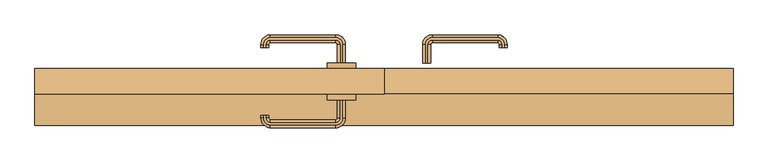
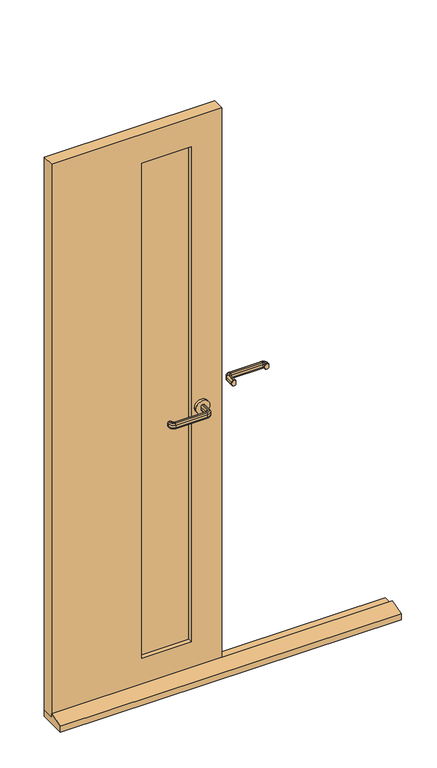
"""IFC4 building model written with IfcOpenShell, lengths in millimetres: door geometry."""

from ifc_helpers import new_model, si_unit, point, frame, frame_2d, origin, place, context, project, spatial, polyline, circle_curve, ellipse_curve, trimmed, segment, composite_curve, outline, extrude, source, transform, mapped, element, save
from ifc_brep_helpers import plane_surface, cylinder_surface, revolved_surface, advanced_brep


def door_26779448(model_context):
    return source(origin(), model_context, "Body", "SolidModel", [
        extrude(outline(polyline([(10.0, -20.0), (10.0, 3.0), (65.0, 18.0), (65.0, 3.0), (110.0, 3.0), (110.0, -20.0), (10.0, -20.0)])), frame((-615.0, 0.0, 0.0), z_axis=(1.0, 0.0, 0.0), x_axis=(0.0, 1.0, 0.0)), (0.0, 0.0, 1.0), 1230.0),
        advanced_brep(
        [(-73.0, 120.0, 1015.0), (-77.0, 120.0, 1015.0), (-82.0, 120.0, 1010.0), (-82.0, 120.0, 1000.0477623), (-77.0, 120.0, 995.0477623), (-73.0, 120.0, 995.0477623), (-68.0, 120.0, 1000.0477623), (-68.0, 120.0, 1010.0), (-68.0, 152.5, 1010.0), (-73.0, 152.5, 1015.0), (-68.0, 152.5, 1000.0477623), (-73.0, 152.5, 995.0477623), (-77.0, 152.5, 995.0477623), (-85.0, 160.5, 995.0477623), (-200.0, 160.5, 995.0477623), (-208.0, 152.5, 995.0477623), (-208.0, 147.5, 995.0477623), (-212.0, 147.5, 995.0477623), (-212.0, 152.5, 995.0477623), (-200.0, 164.5, 995.0477623), (-85.0, 164.5, 995.0477623), (-82.0, 152.5, 1000.0477623), (-82.0, 152.5, 1010.0), (-77.0, 152.5, 1015.0), (-85.0, 164.5, 1015.0), (-200.0, 164.5, 1015.0), (-212.0, 152.5, 1015.0), (-212.0, 147.5, 1015.0), (-208.0, 147.5, 1015.0), (-208.0, 152.5, 1015.0), (-200.0, 160.5, 1015.0), (-85.0, 160.5, 1015.0), (-85.0, 169.5, 1010.0), (-85.0, 169.5, 1000.0477623), (-85.0, 155.5, 1000.0477623), (-85.0, 155.5, 1010.0), (-200.0, 169.5, 1010.0), (-200.0, 169.5, 1000.0477623), (-200.0, 155.5, 1000.0477623), (-200.0, 155.5, 1010.0), (-217.0, 152.5, 1010.0), (-217.0, 152.5, 1000.0477623), (-203.0, 152.5, 1000.0477623), (-203.0, 152.5, 1010.0), (-217.0, 147.5, 1010.0), (-217.0, 147.5, 1000.0477623), (-203.0, 147.5, 1000.0477623), (-203.0, 147.5, 1010.0)],
        [
            (0, 1),
            (1, 2, circle_curve(frame((-77.0, 120.0, 1010.0), z_axis=(0.0, -1.0, 0.0), x_axis=(1.0, 0.0, 0.0)), 5.0)),
            (2, 3),
            (3, 4, circle_curve(frame((-77.0, 120.0, 1000.0477623), z_axis=(0.0, -1.0, 0.0), x_axis=(1.0, 0.0, 0.0)), 5.0)),
            (4, 5),
            (5, 6, circle_curve(frame((-73.0, 120.0, 1000.0477623), z_axis=(0.0, -1.0, 0.0), x_axis=(1.0, 0.0, 0.0)), 5.0)),
            (6, 7),
            (7, 0, circle_curve(frame((-73.0, 120.0, 1010.0), z_axis=(0.0, -1.0, 0.0), x_axis=(1.0, 0.0, 0.0)), 5.0)),
            (7, 8),
            (8, 9, circle_curve(frame((-73.0, 152.5, 1010.0), z_axis=(0.0, -1.0, 0.0), x_axis=(1.0, 0.0, 0.0)), 5.0)),
            (9, 0),
            (6, 10),
            (10, 8),
            (5, 11),
            (11, 10, circle_curve(frame((-73.0, 152.5, 1000.0477623), z_axis=(0.0, -1.0, 0.0), x_axis=(1.0, 0.0, 0.0)), 5.0)),
            (4, 12),
            (12, 13, circle_curve(frame((-85.0, 152.5, 995.0477623), z_axis=(0.0, 0.0, 1.0), x_axis=(1.0, 0.0, 0.0)), 8.0)),
            (13, 14),
            (14, 15, circle_curve(frame((-200.0, 152.5, 995.0477623), z_axis=(0.0, 0.0, 1.0), x_axis=(0.0, 1.0, 0.0)), 8.0)),
            (15, 16),
            (16, 17),
            (17, 18),
            (18, 19, circle_curve(frame((-200.0, 152.5, 995.0477623), z_axis=(0.0, 0.0, -1.0), x_axis=(0.0, 1.0, 0.0)), 12.0)),
            (19, 20),
            (20, 11, circle_curve(frame((-85.0, 152.5, 995.0477623), z_axis=(0.0, 0.0, -1.0), x_axis=(1.0, 0.0, 0.0)), 12.0)),
            (3, 21),
            (21, 12, circle_curve(frame((-77.0, 152.5, 1000.0477623), z_axis=(0.0, -1.0, 0.0), x_axis=(1.0, 0.0, 0.0)), 5.0)),
            (2, 22),
            (22, 21),
            (1, 23),
            (23, 22, circle_curve(frame((-77.0, 152.5, 1010.0), z_axis=(0.0, -1.0, 0.0), x_axis=(1.0, 0.0, 0.0)), 5.0)),
            (9, 24, circle_curve(frame((-85.0, 152.5, 1015.0), z_axis=(0.0, 0.0, 1.0), x_axis=(1.0, 0.0, 0.0)), 12.0)),
            (24, 25),
            (25, 26, circle_curve(frame((-200.0, 152.5, 1015.0), z_axis=(0.0, 0.0, 1.0), x_axis=(0.0, 1.0, 0.0)), 12.0)),
            (26, 27),
            (27, 28),
            (28, 29),
            (29, 30, circle_curve(frame((-200.0, 152.5, 1015.0), z_axis=(0.0, 0.0, -1.0), x_axis=(0.0, 1.0, 0.0)), 8.0)),
            (30, 31),
            (31, 23, circle_curve(frame((-85.0, 152.5, 1015.0), z_axis=(0.0, 0.0, -1.0), x_axis=(1.0, 0.0, 0.0)), 8.0)),
            (32, 24, circle_curve(frame((-85.0, 164.5, 1010.0), z_axis=(1.0, 0.0, 0.0), x_axis=(0.0, 1.0, 0.0)), 5.0)),
            (8, 32, circle_curve(frame((-85.0, 152.5, 1010.0), z_axis=(0.0, 0.0, 1.0), x_axis=(1.0, 0.0, 0.0)), 17.0)),
            (33, 32),
            (10, 33, circle_curve(frame((-85.0, 152.5, 1000.0477623), z_axis=(0.0, 0.0, 1.0), x_axis=(1.0, 0.0, 0.0)), 17.0)),
            (20, 33, circle_curve(frame((-85.0, 164.5, 1000.0477623), z_axis=(1.0, 0.0, 0.0), x_axis=(0.0, 1.0, 0.0)), 5.0)),
            (34, 13, circle_curve(frame((-85.0, 160.5, 1000.0477623), z_axis=(1.0, 0.0, 0.0), x_axis=(0.0, 1.0, 0.0)), 5.0)),
            (21, 34, circle_curve(frame((-85.0, 152.5, 1000.0477623), z_axis=(0.0, 0.0, 1.0), x_axis=(1.0, 0.0, 0.0)), 3.0)),
            (35, 34),
            (22, 35, circle_curve(frame((-85.0, 152.5, 1010.0), z_axis=(0.0, 0.0, 1.0), x_axis=(1.0, 0.0, 0.0)), 3.0)),
            (31, 35, circle_curve(frame((-85.0, 160.5, 1010.0), z_axis=(1.0, 0.0, 0.0), x_axis=(0.0, 1.0, 0.0)), 5.0)),
            (32, 36),
            (36, 25, circle_curve(frame((-200.0, 164.5, 1010.0), z_axis=(1.0, 0.0, 0.0), x_axis=(0.0, 1.0, 0.0)), 5.0)),
            (33, 37),
            (37, 36),
            (19, 37, circle_curve(frame((-200.0, 164.5, 1000.0477623), z_axis=(1.0, 0.0, 0.0), x_axis=(0.0, 1.0, 0.0)), 5.0)),
            (34, 38),
            (38, 14, circle_curve(frame((-200.0, 160.5, 1000.0477623), z_axis=(1.0, 0.0, 0.0), x_axis=(0.0, 1.0, 0.0)), 5.0)),
            (35, 39),
            (39, 38),
            (30, 39, circle_curve(frame((-200.0, 160.5, 1010.0), z_axis=(1.0, 0.0, 0.0), x_axis=(0.0, 1.0, 0.0)), 5.0)),
            (40, 26, circle_curve(frame((-212.0, 152.5, 1010.0), z_axis=(0.0, 1.0, 0.0), x_axis=(-1.0, 0.0, 0.0)), 5.0)),
            (36, 40, circle_curve(frame((-200.0, 152.5, 1010.0), z_axis=(0.0, 0.0, 1.0), x_axis=(0.0, 1.0, 0.0)), 17.0)),
            (41, 40),
            (37, 41, circle_curve(frame((-200.0, 152.5, 1000.0477623), z_axis=(0.0, 0.0, 1.0), x_axis=(0.0, 1.0, 0.0)), 17.0)),
            (18, 41, circle_curve(frame((-212.0, 152.5, 1000.0477623), z_axis=(0.0, 1.0, 0.0), x_axis=(-1.0, 0.0, 0.0)), 5.0)),
            (42, 15, circle_curve(frame((-208.0, 152.5, 1000.0477623), z_axis=(0.0, 1.0, 0.0), x_axis=(-1.0, 0.0, 0.0)), 5.0)),
            (38, 42, circle_curve(frame((-200.0, 152.5, 1000.0477623), z_axis=(0.0, 0.0, 1.0), x_axis=(0.0, 1.0, 0.0)), 3.0)),
            (43, 42),
            (39, 43, circle_curve(frame((-200.0, 152.5, 1010.0), z_axis=(0.0, 0.0, 1.0), x_axis=(0.0, 1.0, 0.0)), 3.0)),
            (29, 43, circle_curve(frame((-208.0, 152.5, 1010.0), z_axis=(0.0, 1.0, 0.0), x_axis=(-1.0, 0.0, 0.0)), 5.0)),
            (27, 44, circle_curve(frame((-212.0, 147.5, 1010.0), z_axis=(0.0, -1.0, 0.0), x_axis=(-1.0, 0.0, 0.0)), 5.0)),
            (44, 45),
            (45, 17, circle_curve(frame((-212.0, 147.5, 1000.0477623), z_axis=(0.0, -1.0, 0.0), x_axis=(-1.0, 0.0, 0.0)), 5.0)),
            (16, 46, circle_curve(frame((-208.0, 147.5, 1000.0477623), z_axis=(0.0, -1.0, 0.0), x_axis=(-1.0, 0.0, 0.0)), 5.0)),
            (46, 47),
            (47, 28, circle_curve(frame((-208.0, 147.5, 1010.0), z_axis=(0.0, -1.0, 0.0), x_axis=(-1.0, 0.0, 0.0)), 5.0)),
            (40, 44),
            (41, 45),
            (42, 46),
            (43, 47),
        ],
        [
            plane_surface(frame((-64.801961, 120.0, 1005.0), z_axis=(0.0, -1.0, 0.0), x_axis=(0.0, 0.0, 1.0))),
            cylinder_surface(frame((-73.0, 120.0, 1010.0), z_axis=(0.0, -1.0, 0.0), x_axis=(1.0, 0.0, 0.0)), 5.0),
            plane_surface(frame((-68.0, 120.0, 1010.0), z_axis=(1.0, 0.0, 0.0), x_axis=(0.0, 1.0, 0.0))),
            cylinder_surface(frame((-73.0, 120.0, 1000.0477623), z_axis=(0.0, -1.0, 0.0), x_axis=(1.0, 0.0, 0.0)), 5.0),
            plane_surface(frame((-73.0, 120.0, 995.0477623), z_axis=(0.0, 0.0, -1.0), x_axis=(0.0, 1.0, 0.0))),
            cylinder_surface(frame((-77.0, 120.0, 1000.0477623), z_axis=(0.0, -1.0, 0.0), x_axis=(1.0, 0.0, 0.0)), 5.0),
            plane_surface(frame((-82.0, 120.0, 1000.0477623), z_axis=(-1.0, 0.0, 0.0), x_axis=(0.0, 1.0, 0.0))),
            cylinder_surface(frame((-77.0, 120.0, 1010.0), z_axis=(0.0, -1.0, 0.0), x_axis=(1.0, 0.0, 0.0)), 5.0),
            plane_surface(frame((-77.0, 120.0, 1015.0), z_axis=(0.0, 0.0, 1.0), x_axis=(0.0, 1.0, 0.0))),
            revolved_surface(trimmed(ellipse_curve(frame((-73.0, 152.5, 1010.0), z_axis=(0.0, 1.0, 0.0), x_axis=(1.0, 0.0, 0.0)), 5.0, 5.0), [point((-73.0, 152.5, 1015.0))], [point((-68.0, 152.5, 1010.0))], True, "CARTESIAN"), (-85.0, 152.5, 1005.0), (0.0, 0.0, -1.0)),
            cylinder_surface(frame((-85.0, 152.5, 1005.0), z_axis=(0.0, 0.0, -1.0), x_axis=(1.0, 0.0, 0.0)), 17.0),
            revolved_surface(trimmed(ellipse_curve(frame((-73.0, 152.5, 1000.0477623), z_axis=(0.0, 1.0, 0.0), x_axis=(1.0, 0.0, 0.0)), 5.0, 5.0), [point((-68.0, 152.5, 1000.0477623))], [point((-73.0, 152.5, 995.0477623))], True, "CARTESIAN"), (-85.0, 152.5, 1005.0), (0.0, 0.0, -1.0)),
            revolved_surface(trimmed(ellipse_curve(frame((-77.0, 152.5, 1000.0477623), z_axis=(0.0, 1.0, 0.0), x_axis=(1.0, 0.0, 0.0)), 5.0, 5.0), [point((-77.0, 152.5, 995.0477623))], [point((-82.0, 152.5, 1000.0477623))], True, "CARTESIAN"), (-85.0, 152.5, 1005.0), (0.0, 0.0, -1.0)),
            revolved_surface(polyline([(-82.0, 152.5, 1000.0477623), (-82.0, 152.5, 1010.0)]), (-85.0, 152.5, 1005.0), (0.0, 0.0, -1.0)),
            revolved_surface(trimmed(ellipse_curve(frame((-77.0, 152.5, 1010.0), z_axis=(0.0, 1.0, 0.0), x_axis=(1.0, 0.0, 0.0)), 5.0, 5.0), [point((-82.0, 152.5, 1010.0))], [point((-77.0, 152.5, 1015.0))], True, "CARTESIAN"), (-85.0, 152.5, 1005.0), (0.0, 0.0, -1.0)),
            cylinder_surface(frame((-85.0, 164.5, 1010.0), z_axis=(1.0, 0.0, 0.0), x_axis=(0.0, 1.0, 0.0)), 5.0),
            plane_surface(frame((-85.0, 169.5, 1010.0), z_axis=(0.0, 1.0, 0.0), x_axis=(-1.0, 0.0, 0.0))),
            cylinder_surface(frame((-85.0, 164.5, 1000.0477623), z_axis=(1.0, 0.0, 0.0), x_axis=(0.0, 1.0, 0.0)), 5.0),
            cylinder_surface(frame((-85.0, 160.5, 1000.0477623), z_axis=(1.0, 0.0, 0.0), x_axis=(0.0, 1.0, 0.0)), 5.0),
            plane_surface(frame((-85.0, 155.5, 1000.0477623), z_axis=(0.0, -1.0, 0.0), x_axis=(-1.0, 0.0, 0.0))),
            cylinder_surface(frame((-85.0, 160.5, 1010.0), z_axis=(1.0, 0.0, 0.0), x_axis=(0.0, 1.0, 0.0)), 5.0),
            revolved_surface(trimmed(ellipse_curve(frame((-200.0, 164.5, 1010.0), z_axis=(-1.0, 0.0, 0.0), x_axis=(0.0, 1.0, 0.0)), 5.0, 5.0), [point((-200.0, 164.5, 1015.0))], [point((-200.0, 169.5, 1010.0))], True, "CARTESIAN"), (-200.0, 152.5, 1005.0), (0.0, 0.0, -1.0)),
            cylinder_surface(frame((-200.0, 152.5, 1005.0), z_axis=(0.0, 0.0, -1.0), x_axis=(0.0, 1.0, 0.0)), 17.0),
            revolved_surface(trimmed(ellipse_curve(frame((-200.0, 164.5, 1000.0477623), z_axis=(-1.0, 0.0, 0.0), x_axis=(0.0, 1.0, 0.0)), 5.0, 5.0), [point((-200.0, 169.5, 1000.0477623))], [point((-200.0, 164.5, 995.0477623))], True, "CARTESIAN"), (-200.0, 152.5, 1005.0), (0.0, 0.0, -1.0)),
            revolved_surface(trimmed(ellipse_curve(frame((-200.0, 160.5, 1000.0477623), z_axis=(-1.0, 0.0, 0.0), x_axis=(0.0, 1.0, 0.0)), 5.0, 5.0), [point((-200.0, 160.5, 995.0477623))], [point((-200.0, 155.5, 1000.0477623))], True, "CARTESIAN"), (-200.0, 152.5, 1005.0), (0.0, 0.0, -1.0)),
            revolved_surface(polyline([(-200.0, 155.5, 1000.0477623), (-200.0, 155.5, 1010.0)]), (-200.0, 152.5, 1005.0), (0.0, 0.0, -1.0)),
            revolved_surface(trimmed(ellipse_curve(frame((-200.0, 160.5, 1010.0), z_axis=(-1.0, 0.0, 0.0), x_axis=(0.0, 1.0, 0.0)), 5.0, 5.0), [point((-200.0, 155.5, 1010.0))], [point((-200.0, 160.5, 1015.0))], True, "CARTESIAN"), (-200.0, 152.5, 1005.0), (0.0, 0.0, -1.0)),
            plane_surface(frame((-199.801961, 147.5, 1005.0), z_axis=(0.0, -1.0, 0.0), x_axis=(0.0, 0.0, -1.0))),
            cylinder_surface(frame((-212.0, 152.5, 1010.0), z_axis=(0.0, 1.0, 0.0), x_axis=(-1.0, 0.0, 0.0)), 5.0),
            plane_surface(frame((-217.0, 152.5, 1010.0), z_axis=(-1.0, 0.0, 0.0), x_axis=(0.0, -1.0, 0.0))),
            cylinder_surface(frame((-212.0, 152.5, 1000.0477623), z_axis=(0.0, 1.0, 0.0), x_axis=(-1.0, 0.0, 0.0)), 5.0),
            cylinder_surface(frame((-208.0, 152.5, 1000.0477623), z_axis=(0.0, 1.0, 0.0), x_axis=(-1.0, 0.0, 0.0)), 5.0),
            plane_surface(frame((-203.0, 152.5, 1000.0477623), z_axis=(1.0, 0.0, 0.0), x_axis=(0.0, -1.0, 0.0))),
            cylinder_surface(frame((-208.0, 152.5, 1010.0), z_axis=(0.0, 1.0, 0.0), x_axis=(-1.0, 0.0, 0.0)), 5.0),
        ],
        [
            (0, [[1, 2, 3, 4, 5, 6, 7, 8]]),
            (1, [[9, 10, 11, -8]]),
            (2, [[12, 13, -9, -7]]),
            (3, [[14, 15, -12, -6]]),
            (4, [[16, 17, 18, 19, 20, 21, 22, 23, 24, 25, -14, -5]]),
            (5, [[26, 27, -16, -4]]),
            (6, [[28, 29, -26, -3]]),
            (7, [[30, 31, -28, -2]]),
            (8, [[-11, 32, 33, 34, 35, 36, 37, 38, 39, 40, -30, -1]]),
            (9, [[41, -32, -10, 42]]),
            (10, [[43, -42, -13, 44]]),
            (11, [[45, -44, -15, -25]]),
            (12, [[46, -17, -27, 47]]),
            (13, [[48, -47, -29, 49]]),
            (14, [[50, -49, -31, -40]]),
            (15, [[51, 52, -33, -41]]),
            (16, [[53, 54, -51, -43]]),
            (17, [[-24, 55, -53, -45]]),
            (18, [[56, 57, -18, -46]]),
            (19, [[58, 59, -56, -48]]),
            (20, [[-39, 60, -58, -50]]),
            (21, [[61, -34, -52, 62]]),
            (22, [[63, -62, -54, 64]]),
            (23, [[65, -64, -55, -23]]),
            (24, [[66, -19, -57, 67]]),
            (25, [[68, -67, -59, 69]]),
            (26, [[70, -69, -60, -38]]),
            (27, [[71, 72, 73, -21, 74, 75, 76, -36]]),
            (28, [[77, -71, -35, -61]]),
            (29, [[78, -72, -77, -63]]),
            (30, [[-22, -73, -78, -65]]),
            (31, [[79, -74, -20, -66]]),
            (32, [[80, -75, -79, -68]]),
            (33, [[-37, -76, -80, -70]]),
        ],
    ),
        advanced_brep(
        [(-77.0, 55.0, 995.0), (-82.0, 55.0, 1000.0), (-82.0, 55.0, 1010.0), (-77.0, 55.0, 1015.0), (-73.0, 55.0, 1015.0), (-68.0, 55.0, 1010.0), (-68.0, 55.0, 1000.0), (-73.0, 55.0, 995.0), (-73.0, 22.5, 995.0), (-85.0, 10.5, 995.0), (-200.0, 10.5, 995.0), (-212.0, 22.5, 995.0), (-212.0, 27.5, 995.0), (-208.0, 27.5, 995.0), (-208.0, 22.5, 995.0), (-200.0, 14.5, 995.0), (-85.0, 14.5, 995.0), (-77.0, 22.5, 995.0), (-68.0, 22.5, 1000.0), (-68.0, 22.5, 1010.0), (-73.0, 22.5, 1015.0), (-77.0, 22.5, 1015.0), (-85.0, 14.5, 1015.0), (-200.0, 14.5, 1015.0), (-208.0, 22.5, 1015.0), (-208.0, 27.5, 1015.0), (-212.0, 27.5, 1015.0), (-212.0, 22.5, 1015.0), (-200.0, 10.5, 1015.0), (-85.0, 10.5, 1015.0), (-82.0, 22.5, 1010.0), (-82.0, 22.5, 1000.0), (-85.0, 5.5, 1000.0), (-85.0, 5.5, 1010.0), (-85.0, 19.5, 1010.0), (-85.0, 19.5, 1000.0), (-200.0, 5.5, 1000.0), (-200.0, 5.5, 1010.0), (-200.0, 19.5, 1010.0), (-200.0, 19.5, 1000.0), (-217.0, 22.5, 1000.0), (-217.0, 22.5, 1010.0), (-203.0, 22.5, 1010.0), (-203.0, 22.5, 1000.0), (-217.0, 27.5, 1000.0), (-217.0, 27.5, 1010.0), (-203.0, 27.5, 1010.0), (-203.0, 27.5, 1000.0)],
        [
            (0, 1, circle_curve(frame((-77.0, 55.0, 1000.0), z_axis=(0.0, 1.0, 0.0), x_axis=(-1.0, 0.0, 0.0)), 5.0)),
            (1, 2),
            (2, 3, circle_curve(frame((-77.0, 55.0, 1010.0), z_axis=(0.0, 1.0, 0.0), x_axis=(-1.0, 0.0, 0.0)), 5.0)),
            (3, 4),
            (4, 5, circle_curve(frame((-73.0, 55.0, 1010.0), z_axis=(0.0, 1.0, 0.0), x_axis=(-1.0, 0.0, 0.0)), 5.0)),
            (5, 6),
            (6, 7, circle_curve(frame((-73.0, 55.0, 1000.0), z_axis=(0.0, 1.0, 0.0), x_axis=(-1.0, 0.0, 0.0)), 5.0)),
            (7, 0),
            (7, 8),
            (8, 9, circle_curve(frame((-85.0, 22.5, 995.0), z_axis=(0.0, 0.0, -1.0), x_axis=(1.0, 0.0, 0.0)), 12.0)),
            (9, 10),
            (10, 11, circle_curve(frame((-200.0, 22.5, 995.0), z_axis=(0.0, 0.0, -1.0), x_axis=(0.0, -1.0, 0.0)), 12.0)),
            (11, 12),
            (12, 13),
            (13, 14),
            (14, 15, circle_curve(frame((-200.0, 22.5, 995.0), z_axis=(0.0, 0.0, 1.0), x_axis=(0.0, -1.0, 0.0)), 8.0)),
            (15, 16),
            (16, 17, circle_curve(frame((-85.0, 22.5, 995.0), z_axis=(0.0, 0.0, 1.0), x_axis=(1.0, 0.0, 0.0)), 8.0)),
            (17, 0),
            (6, 18),
            (18, 8, circle_curve(frame((-73.0, 22.5, 1000.0), z_axis=(0.0, 1.0, 0.0), x_axis=(-1.0, 0.0, 0.0)), 5.0)),
            (5, 19),
            (19, 18),
            (4, 20),
            (20, 19, circle_curve(frame((-73.0, 22.5, 1010.0), z_axis=(0.0, 1.0, 0.0), x_axis=(-1.0, 0.0, 0.0)), 5.0)),
            (3, 21),
            (21, 22, circle_curve(frame((-85.0, 22.5, 1015.0), z_axis=(0.0, 0.0, -1.0), x_axis=(1.0, 0.0, 0.0)), 8.0)),
            (22, 23),
            (23, 24, circle_curve(frame((-200.0, 22.5, 1015.0), z_axis=(0.0, 0.0, -1.0), x_axis=(0.0, -1.0, 0.0)), 8.0)),
            (24, 25),
            (25, 26),
            (26, 27),
            (27, 28, circle_curve(frame((-200.0, 22.5, 1015.0), z_axis=(0.0, 0.0, 1.0), x_axis=(0.0, -1.0, 0.0)), 12.0)),
            (28, 29),
            (29, 20, circle_curve(frame((-85.0, 22.5, 1015.0), z_axis=(0.0, 0.0, 1.0), x_axis=(1.0, 0.0, 0.0)), 12.0)),
            (2, 30),
            (30, 21, circle_curve(frame((-77.0, 22.5, 1010.0), z_axis=(0.0, 1.0, 0.0), x_axis=(-1.0, 0.0, 0.0)), 5.0)),
            (1, 31),
            (31, 30),
            (17, 31, circle_curve(frame((-77.0, 22.5, 1000.0), z_axis=(0.0, 1.0, 0.0), x_axis=(-1.0, 0.0, 0.0)), 5.0)),
            (32, 9, circle_curve(frame((-85.0, 10.5, 1000.0), z_axis=(1.0, 0.0, 0.0), x_axis=(0.0, 1.0, 0.0)), 5.0)),
            (18, 32, circle_curve(frame((-85.0, 22.5, 1000.0), z_axis=(0.0, 0.0, -1.0), x_axis=(1.0, 0.0, 0.0)), 17.0)),
            (33, 32),
            (19, 33, circle_curve(frame((-85.0, 22.5, 1010.0), z_axis=(0.0, 0.0, -1.0), x_axis=(1.0, 0.0, 0.0)), 17.0)),
            (29, 33, circle_curve(frame((-85.0, 10.5, 1010.0), z_axis=(1.0, 0.0, 0.0), x_axis=(0.0, 1.0, 0.0)), 5.0)),
            (34, 22, circle_curve(frame((-85.0, 14.5, 1010.0), z_axis=(1.0, 0.0, 0.0), x_axis=(0.0, 1.0, 0.0)), 5.0)),
            (30, 34, circle_curve(frame((-85.0, 22.5, 1010.0), z_axis=(0.0, 0.0, -1.0), x_axis=(1.0, 0.0, 0.0)), 3.0)),
            (35, 34),
            (31, 35, circle_curve(frame((-85.0, 22.5, 1000.0), z_axis=(0.0, 0.0, -1.0), x_axis=(1.0, 0.0, 0.0)), 3.0)),
            (16, 35, circle_curve(frame((-85.0, 14.5, 1000.0), z_axis=(1.0, 0.0, 0.0), x_axis=(0.0, 1.0, 0.0)), 5.0)),
            (32, 36),
            (36, 10, circle_curve(frame((-200.0, 10.5, 1000.0), z_axis=(1.0, 0.0, 0.0), x_axis=(0.0, 1.0, 0.0)), 5.0)),
            (33, 37),
            (37, 36),
            (28, 37, circle_curve(frame((-200.0, 10.5, 1010.0), z_axis=(1.0, 0.0, 0.0), x_axis=(0.0, 1.0, 0.0)), 5.0)),
            (34, 38),
            (38, 23, circle_curve(frame((-200.0, 14.5, 1010.0), z_axis=(1.0, 0.0, 0.0), x_axis=(0.0, 1.0, 0.0)), 5.0)),
            (35, 39),
            (39, 38),
            (15, 39, circle_curve(frame((-200.0, 14.5, 1000.0), z_axis=(1.0, 0.0, 0.0), x_axis=(0.0, 1.0, 0.0)), 5.0)),
            (40, 11, circle_curve(frame((-212.0, 22.5, 1000.0), z_axis=(0.0, -1.0, 0.0), x_axis=(1.0, 0.0, 0.0)), 5.0)),
            (36, 40, circle_curve(frame((-200.0, 22.5, 1000.0), z_axis=(0.0, 0.0, -1.0), x_axis=(0.0, -1.0, 0.0)), 17.0)),
            (41, 40),
            (37, 41, circle_curve(frame((-200.0, 22.5, 1010.0), z_axis=(0.0, 0.0, -1.0), x_axis=(0.0, -1.0, 0.0)), 17.0)),
            (27, 41, circle_curve(frame((-212.0, 22.5, 1010.0), z_axis=(0.0, -1.0, 0.0), x_axis=(1.0, 0.0, 0.0)), 5.0)),
            (42, 24, circle_curve(frame((-208.0, 22.5, 1010.0), z_axis=(0.0, -1.0, 0.0), x_axis=(1.0, 0.0, 0.0)), 5.0)),
            (38, 42, circle_curve(frame((-200.0, 22.5, 1010.0), z_axis=(0.0, 0.0, -1.0), x_axis=(0.0, -1.0, 0.0)), 3.0)),
            (43, 42),
            (39, 43, circle_curve(frame((-200.0, 22.5, 1000.0), z_axis=(0.0, 0.0, -1.0), x_axis=(0.0, -1.0, 0.0)), 3.0)),
            (14, 43, circle_curve(frame((-208.0, 22.5, 1000.0), z_axis=(0.0, -1.0, 0.0), x_axis=(1.0, 0.0, 0.0)), 5.0)),
            (12, 44, circle_curve(frame((-212.0, 27.5, 1000.0), z_axis=(0.0, 1.0, 0.0), x_axis=(1.0, 0.0, 0.0)), 5.0)),
            (44, 45),
            (45, 26, circle_curve(frame((-212.0, 27.5, 1010.0), z_axis=(0.0, 1.0, 0.0), x_axis=(1.0, 0.0, 0.0)), 5.0)),
            (25, 46, circle_curve(frame((-208.0, 27.5, 1010.0), z_axis=(0.0, 1.0, 0.0), x_axis=(1.0, 0.0, 0.0)), 5.0)),
            (46, 47),
            (47, 13, circle_curve(frame((-208.0, 27.5, 1000.0), z_axis=(0.0, 1.0, 0.0), x_axis=(1.0, 0.0, 0.0)), 5.0)),
            (40, 44),
            (41, 45),
            (42, 46),
            (43, 47),
        ],
        [
            plane_surface(frame((-64.801961, 55.0, 1005.0), z_axis=(0.0, 1.0, 0.0), x_axis=(0.0, 0.0, -1.0))),
            plane_surface(frame((-77.0, 55.0, 995.0), z_axis=(0.0, 0.0, -1.0), x_axis=(0.0, -1.0, 0.0))),
            cylinder_surface(frame((-73.0, 55.0, 1000.0), z_axis=(0.0, 1.0, 0.0), x_axis=(-1.0, 0.0, 0.0)), 5.0),
            plane_surface(frame((-68.0, 55.0, 1000.0), z_axis=(1.0, 0.0, 0.0), x_axis=(0.0, -1.0, 0.0))),
            cylinder_surface(frame((-73.0, 55.0, 1010.0), z_axis=(0.0, 1.0, 0.0), x_axis=(-1.0, 0.0, 0.0)), 5.0),
            plane_surface(frame((-73.0, 55.0, 1015.0), z_axis=(0.0, 0.0, 1.0), x_axis=(0.0, -1.0, 0.0))),
            cylinder_surface(frame((-77.0, 55.0, 1010.0), z_axis=(0.0, 1.0, 0.0), x_axis=(-1.0, 0.0, 0.0)), 5.0),
            plane_surface(frame((-82.0, 55.0, 1010.0), z_axis=(-1.0, 0.0, 0.0), x_axis=(0.0, -1.0, 0.0))),
            cylinder_surface(frame((-77.0, 55.0, 1000.0), z_axis=(0.0, 1.0, 0.0), x_axis=(-1.0, 0.0, 0.0)), 5.0),
            revolved_surface(trimmed(ellipse_curve(frame((-73.0, 22.5, 1000.0), z_axis=(0.0, -1.0, 0.0), x_axis=(-1.0, 0.0, 0.0)), 5.0, 5.0), [point((-73.0, 22.5, 995.0))], [point((-68.0, 22.5, 1000.0))], True, "CARTESIAN"), (-85.0, 22.5, 1005.0), (0.0, 0.0, 1.0)),
            cylinder_surface(frame((-85.0, 22.5, 1005.0), z_axis=(0.0, 0.0, 1.0), x_axis=(1.0, 0.0, 0.0)), 17.0),
            revolved_surface(trimmed(ellipse_curve(frame((-73.0, 22.5, 1010.0), z_axis=(0.0, -1.0, 0.0), x_axis=(-1.0, 0.0, 0.0)), 5.0, 5.0), [point((-68.0, 22.5, 1010.0))], [point((-73.0, 22.5, 1015.0))], True, "CARTESIAN"), (-85.0, 22.5, 1005.0), (0.0, 0.0, 1.0)),
            revolved_surface(trimmed(ellipse_curve(frame((-77.0, 22.5, 1010.0), z_axis=(0.0, -1.0, 0.0), x_axis=(-1.0, 0.0, 0.0)), 5.0, 5.0), [point((-77.0, 22.5, 1015.0))], [point((-82.0, 22.5, 1010.0))], True, "CARTESIAN"), (-85.0, 22.5, 1005.0), (0.0, 0.0, 1.0)),
            revolved_surface(polyline([(-82.0, 22.5, 1010.0), (-82.0, 22.5, 1000.0)]), (-85.0, 22.5, 1005.0), (0.0, 0.0, 1.0)),
            revolved_surface(trimmed(ellipse_curve(frame((-77.0, 22.5, 1000.0), z_axis=(0.0, -1.0, 0.0), x_axis=(-1.0, 0.0, 0.0)), 5.0, 5.0), [point((-82.0, 22.5, 1000.0))], [point((-77.0, 22.5, 995.0))], True, "CARTESIAN"), (-85.0, 22.5, 1005.0), (0.0, 0.0, 1.0)),
            cylinder_surface(frame((-85.0, 10.5, 1000.0), z_axis=(1.0, 0.0, 0.0), x_axis=(0.0, 1.0, 0.0)), 5.0),
            plane_surface(frame((-85.0, 5.5, 1000.0), z_axis=(0.0, -1.0, 0.0), x_axis=(-1.0, 0.0, 0.0))),
            cylinder_surface(frame((-85.0, 10.5, 1010.0), z_axis=(1.0, 0.0, 0.0), x_axis=(0.0, 1.0, 0.0)), 5.0),
            cylinder_surface(frame((-85.0, 14.5, 1010.0), z_axis=(1.0, 0.0, 0.0), x_axis=(0.0, 1.0, 0.0)), 5.0),
            plane_surface(frame((-85.0, 19.5, 1010.0), z_axis=(0.0, 1.0, 0.0), x_axis=(-1.0, 0.0, 0.0))),
            cylinder_surface(frame((-85.0, 14.5, 1000.0), z_axis=(1.0, 0.0, 0.0), x_axis=(0.0, 1.0, 0.0)), 5.0),
            revolved_surface(trimmed(ellipse_curve(frame((-200.0, 10.5, 1000.0), z_axis=(-1.0, 0.0, 0.0), x_axis=(0.0, 1.0, 0.0)), 5.0, 5.0), [point((-200.0, 10.5, 995.0))], [point((-200.0, 5.5, 1000.0))], True, "CARTESIAN"), (-200.0, 22.5, 1005.0), (0.0, 0.0, 1.0)),
            cylinder_surface(frame((-200.0, 22.5, 1005.0), z_axis=(0.0, 0.0, 1.0), x_axis=(0.0, -1.0, 0.0)), 17.0),
            revolved_surface(trimmed(ellipse_curve(frame((-200.0, 10.5, 1010.0), z_axis=(-1.0, 0.0, 0.0), x_axis=(0.0, 1.0, 0.0)), 5.0, 5.0), [point((-200.0, 5.5, 1010.0))], [point((-200.0, 10.5, 1015.0))], True, "CARTESIAN"), (-200.0, 22.5, 1005.0), (0.0, 0.0, 1.0)),
            revolved_surface(trimmed(ellipse_curve(frame((-200.0, 14.5, 1010.0), z_axis=(-1.0, 0.0, 0.0), x_axis=(0.0, 1.0, 0.0)), 5.0, 5.0), [point((-200.0, 14.5, 1015.0))], [point((-200.0, 19.5, 1010.0))], True, "CARTESIAN"), (-200.0, 22.5, 1005.0), (0.0, 0.0, 1.0)),
            revolved_surface(polyline([(-200.0, 19.5, 1010.0), (-200.0, 19.5, 1000.0)]), (-200.0, 22.5, 1005.0), (0.0, 0.0, 1.0)),
            revolved_surface(trimmed(ellipse_curve(frame((-200.0, 14.5, 1000.0), z_axis=(-1.0, 0.0, 0.0), x_axis=(0.0, 1.0, 0.0)), 5.0, 5.0), [point((-200.0, 19.5, 1000.0))], [point((-200.0, 14.5, 995.0))], True, "CARTESIAN"), (-200.0, 22.5, 1005.0), (0.0, 0.0, 1.0)),
            plane_surface(frame((-199.801961, 27.5, 1005.0), z_axis=(0.0, 1.0, 0.0), x_axis=(0.0, 0.0, 1.0))),
            cylinder_surface(frame((-212.0, 22.5, 1000.0), z_axis=(0.0, -1.0, 0.0), x_axis=(1.0, 0.0, 0.0)), 5.0),
            plane_surface(frame((-217.0, 22.5, 1000.0), z_axis=(-1.0, 0.0, 0.0), x_axis=(0.0, 1.0, 0.0))),
            cylinder_surface(frame((-212.0, 22.5, 1010.0), z_axis=(0.0, -1.0, 0.0), x_axis=(1.0, 0.0, 0.0)), 5.0),
            cylinder_surface(frame((-208.0, 22.5, 1010.0), z_axis=(0.0, -1.0, 0.0), x_axis=(1.0, 0.0, 0.0)), 5.0),
            plane_surface(frame((-203.0, 22.5, 1010.0), z_axis=(1.0, 0.0, 0.0), x_axis=(0.0, 1.0, 0.0))),
            cylinder_surface(frame((-208.0, 22.5, 1000.0), z_axis=(0.0, -1.0, 0.0), x_axis=(1.0, 0.0, 0.0)), 5.0),
        ],
        [
            (0, [[1, 2, 3, 4, 5, 6, 7, 8]]),
            (1, [[9, 10, 11, 12, 13, 14, 15, 16, 17, 18, 19, -8]]),
            (2, [[20, 21, -9, -7]]),
            (3, [[22, 23, -20, -6]]),
            (4, [[24, 25, -22, -5]]),
            (5, [[26, 27, 28, 29, 30, 31, 32, 33, 34, 35, -24, -4]]),
            (6, [[36, 37, -26, -3]]),
            (7, [[38, 39, -36, -2]]),
            (8, [[-19, 40, -38, -1]]),
            (9, [[41, -10, -21, 42]]),
            (10, [[43, -42, -23, 44]]),
            (11, [[45, -44, -25, -35]]),
            (12, [[46, -27, -37, 47]]),
            (13, [[48, -47, -39, 49]]),
            (14, [[50, -49, -40, -18]]),
            (15, [[51, 52, -11, -41]]),
            (16, [[53, 54, -51, -43]]),
            (17, [[-34, 55, -53, -45]]),
            (18, [[56, 57, -28, -46]]),
            (19, [[58, 59, -56, -48]]),
            (20, [[-17, 60, -58, -50]]),
            (21, [[61, -12, -52, 62]]),
            (22, [[63, -62, -54, 64]]),
            (23, [[65, -64, -55, -33]]),
            (24, [[66, -29, -57, 67]]),
            (25, [[68, -67, -59, 69]]),
            (26, [[70, -69, -60, -16]]),
            (27, [[-14, 71, 72, 73, -31, 74, 75, 76]]),
            (28, [[77, -71, -13, -61]]),
            (29, [[78, -72, -77, -63]]),
            (30, [[-32, -73, -78, -65]]),
            (31, [[79, -74, -30, -66]]),
            (32, [[80, -75, -79, -68]]),
            (33, [[-15, -76, -80, -70]]),
        ],
    ),
        extrude(outline(composite_curve([segment(trimmed(circle_curve(frame_2d((1005.0, -75.0)), 25.0), [point((1005.0, -50.0))], [point((1005.0, -100.0))], False, "CARTESIAN"), True, "CONTINUOUS"), segment(trimmed(circle_curve(frame_2d((1005.0, -75.0)), 25.0), [point((1005.0, -100.0))], [point((1005.0, -50.0))], False, "CARTESIAN"), True, "CONTINUOUS")], self_intersect=False)), frame((0.0, 110.0, 0.0), z_axis=(0.0, 1.0, 0.0), x_axis=(0.0, 0.0, 1.0)), (0.0, 0.0, 1.0), 10.0),
        extrude(outline(composite_curve([segment(trimmed(circle_curve(frame_2d((1005.0, -75.0)), 25.0), [point((1005.0, -50.0))], [point((1005.0, -100.0))], False, "CARTESIAN"), True, "CONTINUOUS"), segment(trimmed(circle_curve(frame_2d((1005.0, -75.0)), 25.0), [point((1005.0, -100.0))], [point((1005.0, -50.0))], False, "CARTESIAN"), True, "CONTINUOUS")], self_intersect=False)), frame((0.0, 55.0, 0.0), z_axis=(0.0, 1.0, 0.0), x_axis=(0.0, 0.0, 1.0)), (0.0, 0.0, 1.0), 10.0),
        extrude(outline(polyline([(-290.0, 82.5), (-290.0, 92.5), (-110.0, 92.5), (-110.0, 82.5), (-290.0, 82.5)])), frame((0.0, 0.0, 115.0), z_axis=(0.0, 0.0, 1.0), x_axis=(1.0, 0.0, 0.0)), (0.0, 0.0, 1.0), 1890.0),
        extrude(outline(polyline([(5.0, -615.0), (5.0, 0.0), (2115.0, 0.0), (2115.0, -615.0), (5.0, -615.0)]), holes=[polyline([(2005.0, -290.0), (2005.0, -110.0), (115.0, -110.0), (115.0, -290.0), (2005.0, -290.0)])]), frame((0.0, 65.0, 0.0), z_axis=(0.0, 1.0, 0.0), x_axis=(0.0, 0.0, 1.0)), (0.0, 0.0, 1.0), 45.0),
        advanced_brep(
        [(73.0, 120.0, 1015.0), (68.0, 120.0, 1010.0), (68.0, 120.0, 1000.0477623), (73.0, 120.0, 995.0477623), (77.0, 120.0, 995.0477623), (82.0, 120.0, 1000.0477623), (82.0, 120.0, 1010.0), (77.0, 120.0, 1015.0), (73.0, 152.5, 1015.0), (68.0, 152.5, 1010.0), (68.0, 152.5, 1000.0477623), (73.0, 152.5, 995.0477623), (85.0, 164.5, 995.0477623), (200.0, 164.5, 995.0477623), (212.0, 152.5, 995.0477623), (212.0, 147.5, 995.0477623), (208.0, 147.5, 995.0477623), (208.0, 152.5, 995.0477623), (200.0, 160.5, 995.0477623), (85.0, 160.5, 995.0477623), (77.0, 152.5, 995.0477623), (82.0, 152.5, 1000.0477623), (82.0, 152.5, 1010.0), (77.0, 152.5, 1015.0), (85.0, 160.5, 1015.0), (200.0, 160.5, 1015.0), (208.0, 152.5, 1015.0), (208.0, 147.5, 1015.0), (212.0, 147.5, 1015.0), (212.0, 152.5, 1015.0), (200.0, 164.5, 1015.0), (85.0, 164.5, 1015.0), (85.0, 169.5, 1010.0), (85.0, 169.5, 1000.0477623), (85.0, 155.5, 1000.0477623), (85.0, 155.5, 1010.0), (200.0, 169.5, 1010.0), (200.0, 169.5, 1000.0477623), (200.0, 155.5, 1000.0477623), (200.0, 155.5, 1010.0), (217.0, 152.5, 1010.0), (217.0, 152.5, 1000.0477623), (203.0, 152.5, 1000.0477623), (203.0, 152.5, 1010.0), (203.0, 147.5, 1010.0), (203.0, 147.5, 1000.0477623), (217.0, 147.5, 1000.0477623), (217.0, 147.5, 1010.0)],
        [
            (0, 1, circle_curve(frame((73.0, 120.0, 1010.0), z_axis=(0.0, -1.0, 0.0), x_axis=(-1.0, 0.0, 0.0)), 5.0)),
            (1, 2),
            (2, 3, circle_curve(frame((73.0, 120.0, 1000.0477623), z_axis=(0.0, -1.0, 0.0), x_axis=(-1.0, 0.0, 0.0)), 5.0)),
            (3, 4),
            (4, 5, circle_curve(frame((77.0, 120.0, 1000.0477623), z_axis=(0.0, -1.0, 0.0), x_axis=(-1.0, 0.0, 0.0)), 5.0)),
            (5, 6),
            (6, 7, circle_curve(frame((77.0, 120.0, 1010.0), z_axis=(0.0, -1.0, 0.0), x_axis=(-1.0, 0.0, 0.0)), 5.0)),
            (7, 0),
            (0, 8),
            (8, 9, circle_curve(frame((73.0, 152.5, 1010.0), z_axis=(0.0, -1.0, 0.0), x_axis=(-1.0, 0.0, 0.0)), 5.0)),
            (9, 1),
            (9, 10),
            (10, 2),
            (10, 11, circle_curve(frame((73.0, 152.5, 1000.0477623), z_axis=(0.0, -1.0, 0.0), x_axis=(-1.0, 0.0, 0.0)), 5.0)),
            (11, 3),
            (11, 12, circle_curve(frame((85.0, 152.5, 995.0477623), z_axis=(0.0, 0.0, -1.0), x_axis=(-1.0, 0.0, 0.0)), 12.0)),
            (12, 13),
            (13, 14, circle_curve(frame((200.0, 152.5, 995.0477623), z_axis=(0.0, 0.0, -1.0), x_axis=(0.0, 1.0, 0.0)), 12.0)),
            (14, 15),
            (15, 16),
            (16, 17),
            (17, 18, circle_curve(frame((200.0, 152.5, 995.0477623), z_axis=(0.0, 0.0, 1.0), x_axis=(0.0, 1.0, 0.0)), 8.0)),
            (18, 19),
            (19, 20, circle_curve(frame((85.0, 152.5, 995.0477623), z_axis=(0.0, 0.0, 1.0), x_axis=(-1.0, 0.0, 0.0)), 8.0)),
            (20, 4),
            (20, 21, circle_curve(frame((77.0, 152.5, 1000.0477623), z_axis=(0.0, -1.0, 0.0), x_axis=(-1.0, 0.0, 0.0)), 5.0)),
            (21, 5),
            (21, 22),
            (22, 6),
            (22, 23, circle_curve(frame((77.0, 152.5, 1010.0), z_axis=(0.0, -1.0, 0.0), x_axis=(-1.0, 0.0, 0.0)), 5.0)),
            (23, 7),
            (23, 24, circle_curve(frame((85.0, 152.5, 1015.0), z_axis=(0.0, 0.0, -1.0), x_axis=(-1.0, 0.0, 0.0)), 8.0)),
            (24, 25),
            (25, 26, circle_curve(frame((200.0, 152.5, 1015.0), z_axis=(0.0, 0.0, -1.0), x_axis=(0.0, 1.0, 0.0)), 8.0)),
            (26, 27),
            (27, 28),
            (28, 29),
            (29, 30, circle_curve(frame((200.0, 152.5, 1015.0), z_axis=(0.0, 0.0, 1.0), x_axis=(0.0, 1.0, 0.0)), 12.0)),
            (30, 31),
            (31, 8, circle_curve(frame((85.0, 152.5, 1015.0), z_axis=(0.0, 0.0, 1.0), x_axis=(-1.0, 0.0, 0.0)), 12.0)),
            (32, 9, circle_curve(frame((85.0, 152.5, 1010.0), z_axis=(0.0, 0.0, 1.0), x_axis=(-1.0, 0.0, 0.0)), 17.0)),
            (31, 32, circle_curve(frame((85.0, 164.5, 1010.0), z_axis=(-1.0, 0.0, 0.0), x_axis=(0.0, 1.0, 0.0)), 5.0)),
            (33, 10, circle_curve(frame((85.0, 152.5, 1000.0477623), z_axis=(0.0, 0.0, 1.0), x_axis=(-1.0, 0.0, 0.0)), 17.0)),
            (32, 33),
            (33, 12, circle_curve(frame((85.0, 164.5, 1000.0477623), z_axis=(-1.0, 0.0, 0.0), x_axis=(0.0, 1.0, 0.0)), 5.0)),
            (34, 21, circle_curve(frame((85.0, 152.5, 1000.0477623), z_axis=(0.0, 0.0, 1.0), x_axis=(-1.0, 0.0, 0.0)), 3.0)),
            (19, 34, circle_curve(frame((85.0, 160.5, 1000.0477623), z_axis=(-1.0, 0.0, 0.0), x_axis=(0.0, 1.0, 0.0)), 5.0)),
            (35, 22, circle_curve(frame((85.0, 152.5, 1010.0), z_axis=(0.0, 0.0, 1.0), x_axis=(-1.0, 0.0, 0.0)), 3.0)),
            (34, 35),
            (35, 24, circle_curve(frame((85.0, 160.5, 1010.0), z_axis=(-1.0, 0.0, 0.0), x_axis=(0.0, 1.0, 0.0)), 5.0)),
            (30, 36, circle_curve(frame((200.0, 164.5, 1010.0), z_axis=(-1.0, 0.0, 0.0), x_axis=(0.0, 1.0, 0.0)), 5.0)),
            (36, 32),
            (36, 37),
            (37, 33),
            (37, 13, circle_curve(frame((200.0, 164.5, 1000.0477623), z_axis=(-1.0, 0.0, 0.0), x_axis=(0.0, 1.0, 0.0)), 5.0)),
            (18, 38, circle_curve(frame((200.0, 160.5, 1000.0477623), z_axis=(-1.0, 0.0, 0.0), x_axis=(0.0, 1.0, 0.0)), 5.0)),
            (38, 34),
            (38, 39),
            (39, 35),
            (39, 25, circle_curve(frame((200.0, 160.5, 1010.0), z_axis=(-1.0, 0.0, 0.0), x_axis=(0.0, 1.0, 0.0)), 5.0)),
            (40, 36, circle_curve(frame((200.0, 152.5, 1010.0), z_axis=(0.0, 0.0, 1.0), x_axis=(0.0, 1.0, 0.0)), 17.0)),
            (29, 40, circle_curve(frame((212.0, 152.5, 1010.0), z_axis=(0.0, 1.0, 0.0), x_axis=(1.0, 0.0, 0.0)), 5.0)),
            (41, 37, circle_curve(frame((200.0, 152.5, 1000.0477623), z_axis=(0.0, 0.0, 1.0), x_axis=(0.0, 1.0, 0.0)), 17.0)),
            (40, 41),
            (41, 14, circle_curve(frame((212.0, 152.5, 1000.0477623), z_axis=(0.0, 1.0, 0.0), x_axis=(1.0, 0.0, 0.0)), 5.0)),
            (42, 38, circle_curve(frame((200.0, 152.5, 1000.0477623), z_axis=(0.0, 0.0, 1.0), x_axis=(0.0, 1.0, 0.0)), 3.0)),
            (17, 42, circle_curve(frame((208.0, 152.5, 1000.0477623), z_axis=(0.0, 1.0, 0.0), x_axis=(1.0, 0.0, 0.0)), 5.0)),
            (43, 39, circle_curve(frame((200.0, 152.5, 1010.0), z_axis=(0.0, 0.0, 1.0), x_axis=(0.0, 1.0, 0.0)), 3.0)),
            (42, 43),
            (43, 26, circle_curve(frame((208.0, 152.5, 1010.0), z_axis=(0.0, 1.0, 0.0), x_axis=(1.0, 0.0, 0.0)), 5.0)),
            (27, 44, circle_curve(frame((208.0, 147.5, 1010.0), z_axis=(0.0, -1.0, 0.0), x_axis=(1.0, 0.0, 0.0)), 5.0)),
            (44, 45),
            (45, 16, circle_curve(frame((208.0, 147.5, 1000.0477623), z_axis=(0.0, -1.0, 0.0), x_axis=(1.0, 0.0, 0.0)), 5.0)),
            (15, 46, circle_curve(frame((212.0, 147.5, 1000.0477623), z_axis=(0.0, -1.0, 0.0), x_axis=(1.0, 0.0, 0.0)), 5.0)),
            (46, 47),
            (47, 28, circle_curve(frame((212.0, 147.5, 1010.0), z_axis=(0.0, -1.0, 0.0), x_axis=(1.0, 0.0, 0.0)), 5.0)),
            (47, 40),
            (46, 41),
            (45, 42),
            (44, 43),
        ],
        [
            plane_surface(frame((64.801961, 120.0, 1005.0), z_axis=(0.0, -1.0, 0.0), x_axis=(0.0, 0.0, 1.0))),
            cylinder_surface(frame((73.0, 120.0, 1010.0), z_axis=(0.0, -1.0, 0.0), x_axis=(-1.0, 0.0, 0.0)), 5.0),
            plane_surface(frame((68.0, 120.0, 1010.0), z_axis=(-1.0, 0.0, 0.0), x_axis=(0.0, 1.0, 0.0))),
            cylinder_surface(frame((73.0, 120.0, 1000.0477623), z_axis=(0.0, -1.0, 0.0), x_axis=(-1.0, 0.0, 0.0)), 5.0),
            plane_surface(frame((73.0, 120.0, 995.0477623), z_axis=(0.0, 0.0, -1.0), x_axis=(0.0, 1.0, 0.0))),
            cylinder_surface(frame((77.0, 120.0, 1000.0477623), z_axis=(0.0, -1.0, 0.0), x_axis=(-1.0, 0.0, 0.0)), 5.0),
            plane_surface(frame((82.0, 120.0, 1000.0477623), z_axis=(1.0, 0.0, 0.0), x_axis=(0.0, 1.0, 0.0))),
            cylinder_surface(frame((77.0, 120.0, 1010.0), z_axis=(0.0, -1.0, 0.0), x_axis=(-1.0, 0.0, 0.0)), 5.0),
            plane_surface(frame((77.0, 120.0, 1015.0), z_axis=(0.0, 0.0, 1.0), x_axis=(0.0, 1.0, 0.0))),
            revolved_surface(trimmed(ellipse_curve(frame((73.0, 152.5, 1010.0), z_axis=(0.0, -1.0, 0.0), x_axis=(-1.0, 0.0, 0.0)), 5.0, 5.0), [point((73.0, 152.5, 1015.0))], [point((68.0, 152.5, 1010.0))], True, "CARTESIAN"), (85.0, 152.5, 1005.0), (0.0, 0.0, -1.0)),
            cylinder_surface(frame((85.0, 152.5, 1005.0), z_axis=(0.0, 0.0, -1.0), x_axis=(-1.0, 0.0, 0.0)), 17.0),
            revolved_surface(trimmed(ellipse_curve(frame((73.0, 152.5, 1000.0477623), z_axis=(0.0, -1.0, 0.0), x_axis=(-1.0, 0.0, 0.0)), 5.0, 5.0), [point((68.0, 152.5, 1000.0477623))], [point((73.0, 152.5, 995.0477623))], True, "CARTESIAN"), (85.0, 152.5, 1005.0), (0.0, 0.0, -1.0)),
            revolved_surface(trimmed(ellipse_curve(frame((77.0, 152.5, 1000.0477623), z_axis=(0.0, -1.0, 0.0), x_axis=(-1.0, 0.0, 0.0)), 5.0, 5.0), [point((77.0, 152.5, 995.0477623))], [point((82.0, 152.5, 1000.0477623))], True, "CARTESIAN"), (85.0, 152.5, 1005.0), (0.0, 0.0, -1.0)),
            revolved_surface(polyline([(82.0, 152.5, 1000.0477623), (82.0, 152.5, 1010.0)]), (85.0, 152.5, 1005.0), (0.0, 0.0, -1.0)),
            revolved_surface(trimmed(ellipse_curve(frame((77.0, 152.5, 1010.0), z_axis=(0.0, -1.0, 0.0), x_axis=(-1.0, 0.0, 0.0)), 5.0, 5.0), [point((82.0, 152.5, 1010.0))], [point((77.0, 152.5, 1015.0))], True, "CARTESIAN"), (85.0, 152.5, 1005.0), (0.0, 0.0, -1.0)),
            cylinder_surface(frame((85.0, 164.5, 1010.0), z_axis=(-1.0, 0.0, 0.0), x_axis=(0.0, 1.0, 0.0)), 5.0),
            plane_surface(frame((85.0, 169.5, 1010.0), z_axis=(0.0, 1.0, 0.0), x_axis=(1.0, 0.0, 0.0))),
            cylinder_surface(frame((85.0, 164.5, 1000.0477623), z_axis=(-1.0, 0.0, 0.0), x_axis=(0.0, 1.0, 0.0)), 5.0),
            cylinder_surface(frame((85.0, 160.5, 1000.0477623), z_axis=(-1.0, 0.0, 0.0), x_axis=(0.0, 1.0, 0.0)), 5.0),
            plane_surface(frame((85.0, 155.5, 1000.0477623), z_axis=(0.0, -1.0, 0.0), x_axis=(1.0, 0.0, 0.0))),
            cylinder_surface(frame((85.0, 160.5, 1010.0), z_axis=(-1.0, 0.0, 0.0), x_axis=(0.0, 1.0, 0.0)), 5.0),
            revolved_surface(trimmed(ellipse_curve(frame((200.0, 164.5, 1010.0), z_axis=(-1.0, 0.0, 0.0), x_axis=(0.0, 1.0, 0.0)), 5.0, 5.0), [point((200.0, 164.5, 1015.0))], [point((200.0, 169.5, 1010.0))], True, "CARTESIAN"), (200.0, 152.5, 1005.0), (0.0, 0.0, -1.0)),
            cylinder_surface(frame((200.0, 152.5, 1005.0), z_axis=(0.0, 0.0, -1.0), x_axis=(0.0, 1.0, 0.0)), 17.0),
            revolved_surface(trimmed(ellipse_curve(frame((200.0, 164.5, 1000.0477623), z_axis=(-1.0, 0.0, 0.0), x_axis=(0.0, 1.0, 0.0)), 5.0, 5.0), [point((200.0, 169.5, 1000.0477623))], [point((200.0, 164.5, 995.0477623))], True, "CARTESIAN"), (200.0, 152.5, 1005.0), (0.0, 0.0, -1.0)),
            revolved_surface(trimmed(ellipse_curve(frame((200.0, 160.5, 1000.0477623), z_axis=(-1.0, 0.0, 0.0), x_axis=(0.0, 1.0, 0.0)), 5.0, 5.0), [point((200.0, 160.5, 995.0477623))], [point((200.0, 155.5, 1000.0477623))], True, "CARTESIAN"), (200.0, 152.5, 1005.0), (0.0, 0.0, -1.0)),
            revolved_surface(polyline([(200.0, 155.5, 1000.0477623), (200.0, 155.5, 1010.0)]), (200.0, 152.5, 1005.0), (0.0, 0.0, -1.0)),
            revolved_surface(trimmed(ellipse_curve(frame((200.0, 160.5, 1010.0), z_axis=(-1.0, 0.0, 0.0), x_axis=(0.0, 1.0, 0.0)), 5.0, 5.0), [point((200.0, 155.5, 1010.0))], [point((200.0, 160.5, 1015.0))], True, "CARTESIAN"), (200.0, 152.5, 1005.0), (0.0, 0.0, -1.0)),
            plane_surface(frame((199.801961, 147.5, 1005.0), z_axis=(0.0, -1.0, 0.0), x_axis=(0.0, 0.0, -1.0))),
            cylinder_surface(frame((212.0, 152.5, 1010.0), z_axis=(0.0, 1.0, 0.0), x_axis=(1.0, 0.0, 0.0)), 5.0),
            plane_surface(frame((217.0, 152.5, 1010.0), z_axis=(1.0, 0.0, 0.0), x_axis=(0.0, -1.0, 0.0))),
            cylinder_surface(frame((212.0, 152.5, 1000.0477623), z_axis=(0.0, 1.0, 0.0), x_axis=(1.0, 0.0, 0.0)), 5.0),
            cylinder_surface(frame((208.0, 152.5, 1000.0477623), z_axis=(0.0, 1.0, 0.0), x_axis=(1.0, 0.0, 0.0)), 5.0),
            plane_surface(frame((203.0, 152.5, 1000.0477623), z_axis=(-1.0, 0.0, 0.0), x_axis=(0.0, -1.0, 0.0))),
            cylinder_surface(frame((208.0, 152.5, 1010.0), z_axis=(0.0, 1.0, 0.0), x_axis=(1.0, 0.0, 0.0)), 5.0),
        ],
        [
            (0, [[1, 2, 3, 4, 5, 6, 7, 8]]),
            (1, [[-1, 9, 10, 11]]),
            (2, [[-2, -11, 12, 13]]),
            (3, [[-3, -13, 14, 15]]),
            (4, [[-4, -15, 16, 17, 18, 19, 20, 21, 22, 23, 24, 25]]),
            (5, [[-5, -25, 26, 27]]),
            (6, [[-6, -27, 28, 29]]),
            (7, [[-7, -29, 30, 31]]),
            (8, [[-8, -31, 32, 33, 34, 35, 36, 37, 38, 39, 40, -9]]),
            (9, [[41, -10, -40, 42]]),
            (10, [[43, -12, -41, 44]]),
            (11, [[-16, -14, -43, 45]]),
            (12, [[46, -26, -24, 47]]),
            (13, [[48, -28, -46, 49]]),
            (14, [[-32, -30, -48, 50]]),
            (15, [[-42, -39, 51, 52]]),
            (16, [[-44, -52, 53, 54]]),
            (17, [[-45, -54, 55, -17]]),
            (18, [[-47, -23, 56, 57]]),
            (19, [[-49, -57, 58, 59]]),
            (20, [[-50, -59, 60, -33]]),
            (21, [[61, -51, -38, 62]]),
            (22, [[63, -53, -61, 64]]),
            (23, [[-18, -55, -63, 65]]),
            (24, [[66, -56, -22, 67]]),
            (25, [[68, -58, -66, 69]]),
            (26, [[-34, -60, -68, 70]]),
            (27, [[-36, 71, 72, 73, -20, 74, 75, 76]]),
            (28, [[-62, -37, -76, 77]]),
            (29, [[-64, -77, -75, 78]]),
            (30, [[-65, -78, -74, -19]]),
            (31, [[-67, -21, -73, 79]]),
            (32, [[-69, -79, -72, 80]]),
            (33, [[-70, -80, -71, -35]]),
        ],
    ),
    ])


if __name__ == "__main__":
    model = new_model("IFC4")
    model_context = context("Model", 3, world=origin())
    ifc_project = project(units=[si_unit("LENGTHUNIT", "METRE", prefix="MILLI")], contexts=[model_context])
    site = spatial("IfcSite", under=ifc_project)
    building = spatial("IfcBuilding", under=site)
    placement = place(None, origin())
    door_shape = door_26779448(model_context)
    element("IfcDoor", 1, at=placement, inside=building, context=model_context, shape_type="MappedRepresentation", body=[
        mapped(door_shape, transform((0.0, 0.0, 0.0), x_axis=(1.0, 0.0, 0.0), y_axis=(0.0, 1.0, 0.0), z_axis=(0.0, 0.0, 1.0))),
    ])
    save(model, "model.ifc")
